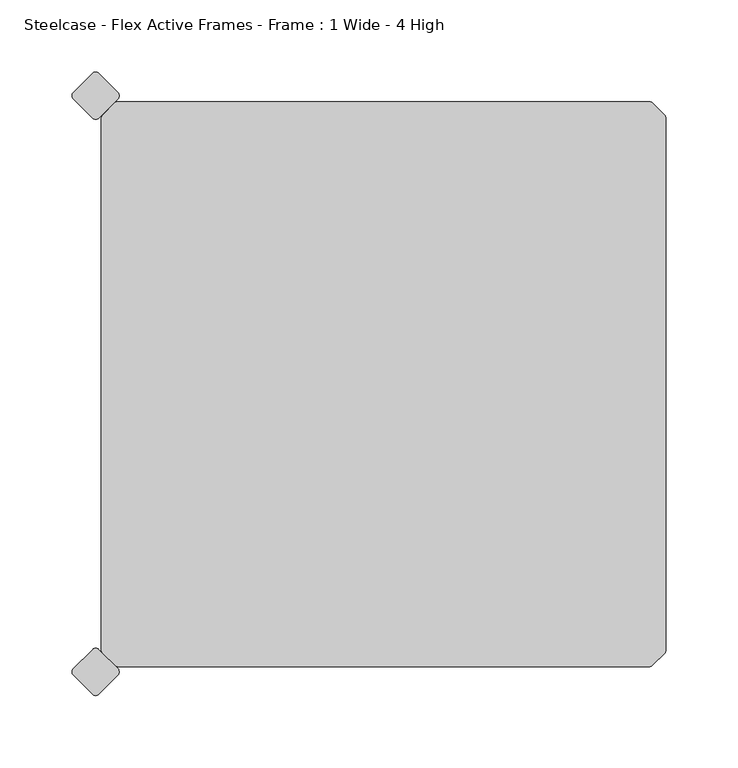
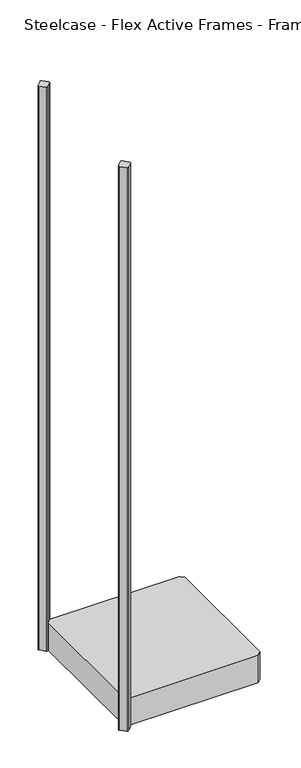
"""IFC4 building model written with IfcOpenShell, lengths in millimetres: furniture geometry, Steelcase - Flex Active Frames - Frame : 1 Wide - 4 High."""

from ifc_helpers import new_model, si_unit, point, frame, frame_2d, origin, place, context, project, spatial, polyline, circle_curve, trimmed, segment, composite_curve, outline, extrude, source, transform, mapped, element, save


def steelcase_flex_active_frames_frame_1_wide_4_high_d331a5f5(model_context):
    return source(origin(), model_context, "Body", "SweptSolid", [
        extrude(outline(composite_curve([segment(polyline([(12.155908, -1.0018273), (381.8659992, -1.0019264)]), True, "CONTINUOUS"), segment(trimmed(circle_curve(frame_2d((381.8435656, -3.5418273)), 2.54), [point((381.8659992, -1.0019264))], [point((383.6396169, -1.7457761))], False, "CARTESIAN"), True, "CONTINUOUS"), segment(polyline([(383.6396169, -1.7457761), (392.2479569, -10.3541161)]), True, "CONTINUOUS"), segment(trimmed(circle_curve(frame_2d((390.4519057, -12.1501673)), 2.54), [point((392.2479569, -10.3541161))], [point((392.9919057, -12.1501687))], False, "CARTESIAN"), True, "CONTINUOUS"), segment(polyline([(392.9919057, -12.1501687), (392.9917079, -381.8355295)]), True, "CONTINUOUS"), segment(trimmed(circle_curve(frame_2d((390.4519057, -381.8038327)), 2.54), [point((392.9917079, -381.8355295))], [point((392.2479569, -383.5998839))], False, "CARTESIAN"), True, "CONTINUOUS"), segment(polyline([(392.2479569, -383.5998839), (383.6396169, -392.2082239)]), True, "CONTINUOUS"), segment(trimmed(circle_curve(frame_2d((381.8435656, -390.4121727)), 2.54), [point((383.6396169, -392.2082239))], [point((381.8659992, -392.9520736))], False, "CARTESIAN"), True, "CONTINUOUS"), segment(polyline([(381.8659992, -392.9520736), (12.155908, -392.9521727)]), True, "CONTINUOUS"), segment(trimmed(circle_curve(frame_2d((12.1559074, -390.4121727)), 2.54), [point((12.155908, -392.9521727))], [point((10.3598561, -392.2082239))], False, "CARTESIAN"), True, "CONTINUOUS"), segment(polyline([(10.3598561, -392.2082239), (1.7515161, -383.5998839)]), True, "CONTINUOUS"), segment(trimmed(circle_curve(frame_2d((3.5475673, -381.8038327)), 2.54), [point((1.7515161, -383.5998839))], [point((1.0077651, -381.8355295))], False, "CARTESIAN"), True, "CONTINUOUS"), segment(polyline([(1.0077651, -381.8355295), (1.0075673, -12.1501687)]), True, "CONTINUOUS"), segment(trimmed(circle_curve(frame_2d((3.5475673, -12.1501673)), 2.54), [point((1.0075673, -12.1501687))], [point((1.7515161, -10.3541161))], False, "CARTESIAN"), True, "CONTINUOUS"), segment(polyline([(1.7515161, -10.3541161), (10.3598561, -1.7457761)]), True, "CONTINUOUS"), segment(trimmed(circle_curve(frame_2d((12.1559074, -3.5418273)), 2.54), [point((10.3598561, -1.7457761))], [point((12.155908, -1.0018273))], False, "CARTESIAN"), True, "CONTINUOUS")], self_intersect=False)), frame((0.0, 0.0, 12.5999909), z_axis=(0.0, 0.0, 1.0), x_axis=(1.0, 0.0, 0.0)), (0.0, 0.0, 1.0), 82.39977),
        extrude(outline(composite_curve([segment(polyline([(-18.5290767, 5.1536029), (-5.1665297, 18.5163124)]), True, "CONTINUOUS"), segment(trimmed(circle_curve(frame_2d((-3.0112551, 16.3610641)), 3.048), [point((-5.1665297, 18.5163124))], [point((-0.8559936, 18.5163256))], False, "CARTESIAN"), True, "CONTINUOUS"), segment(polyline([(-0.8559936, 18.5163256), (12.5067035, 5.1536284)]), True, "CONTINUOUS"), segment(trimmed(circle_curve(frame_2d((10.351442, 2.998367)), 3.048), [point((12.5067035, 5.1536284))], [point((12.5067144, 0.8431164))], False, "CARTESIAN"), True, "CONTINUOUS"), segment(polyline([(12.5067144, 0.8431164), (-0.8557649, -12.5194983)]), True, "CONTINUOUS"), segment(trimmed(circle_curve(frame_2d((-3.0110373, -10.3642478)), 3.048), [point((-0.8557649, -12.5194983))], [point((-5.1662856, -12.5195224))], False, "CARTESIAN"), True, "CONTINUOUS"), segment(polyline([(-5.1662856, -12.5195224), (-18.5290505, 0.8430799)]), True, "CONTINUOUS"), segment(trimmed(circle_curve(frame_2d((-16.3738021, 2.9983545)), 3.048), [point((-18.5290505, 0.8430799))], [point((-18.5290767, 5.1536029))], False, "CARTESIAN"), True, "CONTINUOUS")], self_intersect=False)), frame((0.0, 0.0, 12.5999909), z_axis=(0.0, 0.0, 1.0), x_axis=(1.0, 0.0, 0.0)), (0.0, 0.0, 1.0), 1703.9320091),
        extrude(outline(composite_curve([segment(trimmed(circle_curve(frame_2d((-16.3738021, -396.9523545)), 3.048), [point((-18.5290767, -399.1076029))], [point((-18.5290505, -394.7970799))], False, "CARTESIAN"), True, "CONTINUOUS"), segment(polyline([(-18.5290505, -394.7970799), (-5.1662856, -381.4344776)]), True, "CONTINUOUS"), segment(trimmed(circle_curve(frame_2d((-3.0110373, -383.5897522)), 3.048), [point((-5.1662856, -381.4344776))], [point((-0.8557649, -381.4345017))], False, "CARTESIAN"), True, "CONTINUOUS"), segment(polyline([(-0.8557649, -381.4345017), (12.5067144, -394.7971164)]), True, "CONTINUOUS"), segment(trimmed(circle_curve(frame_2d((10.351442, -396.952367)), 3.048), [point((12.5067144, -394.7971164))], [point((12.5067035, -399.1076284))], False, "CARTESIAN"), True, "CONTINUOUS"), segment(polyline([(12.5067035, -399.1076284), (-0.8559936, -412.4703256)]), True, "CONTINUOUS"), segment(trimmed(circle_curve(frame_2d((-3.0112551, -410.3150641)), 3.048), [point((-0.8559936, -412.4703256))], [point((-5.1665297, -412.4703124))], False, "CARTESIAN"), True, "CONTINUOUS"), segment(polyline([(-5.1665297, -412.4703124), (-18.5290767, -399.1076029)]), True, "CONTINUOUS")], self_intersect=False)), frame((0.0, 0.0, 12.5999909), z_axis=(0.0, 0.0, 1.0), x_axis=(1.0, 0.0, 0.0)), (0.0, 0.0, 1.0), 1703.9320091),
    ])


if __name__ == "__main__":
    model = new_model("IFC4")
    model_context = context("Model", 3, world=origin())
    ifc_project = project(units=[si_unit("LENGTHUNIT", "METRE", prefix="MILLI")], contexts=[model_context])
    site = spatial("IfcSite", under=ifc_project)
    building = spatial("IfcBuilding", under=site)
    placement = place(None, origin())
    steelcase_flex_active_frames_frame_1_wide_4_high_shape = steelcase_flex_active_frames_frame_1_wide_4_high_d331a5f5(model_context)
    element("IfcFurniture", 1, ObjectType="Steelcase - Flex Active Frames - Frame : 1 Wide - 4 High", at=placement, inside=building, context=model_context, shape_type="MappedRepresentation", body=[
        mapped(steelcase_flex_active_frames_frame_1_wide_4_high_shape, transform((0.0, 0.0, 0.0), x_axis=(1.0, 0.0, 0.0), y_axis=(0.0, 1.0, 0.0), z_axis=(0.0, 0.0, 1.0))),
    ])
    save(model, "model.ifc")
